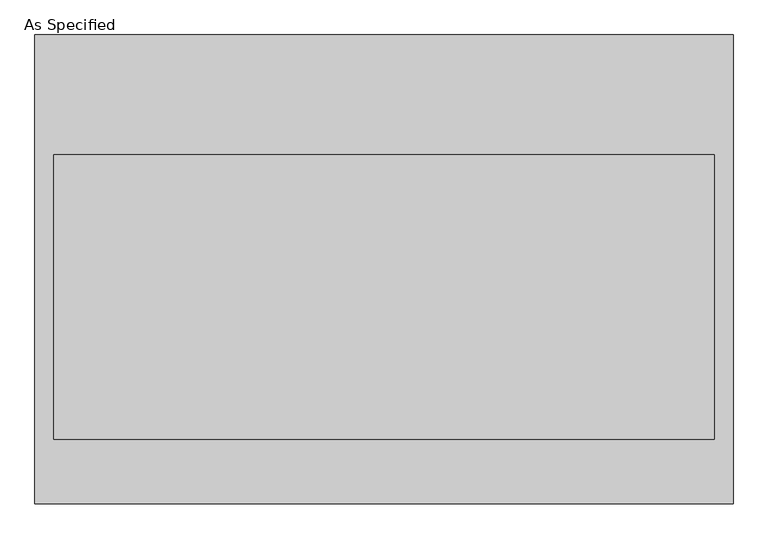
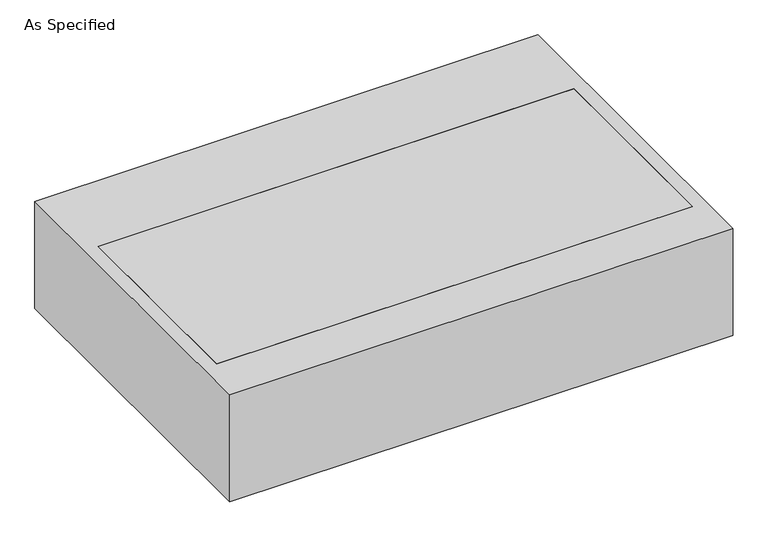
"""IFC4 building model written with IfcOpenShell, lengths in millimetres: proxy geometry, As Specified."""

from ifc_helpers import new_model, si_unit, frame, origin, place, context, project, spatial, polyline, outline, extrude, source, transform, mapped, element, save


def as_specified_7f6feaa9(model_context):
    return source(origin(), model_context, "Body", "SweptSolid", [
        extrude(outline(polyline([(1120.775, 752.475), (1120.775, -752.475), (-1120.775, -752.475), (-1120.775, 752.475), (1120.775, 752.475)]), holes=[polyline([(1060.45, 368.3), (-1060.45, 368.3), (-1060.45, -546.1), (1060.45, -546.1), (1060.45, 368.3)])]), frame((0.0, 0.0, -530.225), z_axis=(0.0, 0.0, 1.0), x_axis=(1.0, 0.0, 0.0)), (0.0, 0.0, 1.0), 504.825),
        extrude(outline(polyline([(1060.45, 368.3), (1060.45, -546.1), (-1060.45, -546.1), (-1060.45, 368.3), (1060.45, 368.3)])), frame((0.0, 0.0, -530.225), z_axis=(0.0, 0.0, 1.0), x_axis=(1.0, 0.0, 0.0)), (0.0, 0.0, 1.0), 504.825),
    ])


if __name__ == "__main__":
    model = new_model("IFC4")
    model_context = context("Model", 3, world=origin())
    ifc_project = project(units=[si_unit("LENGTHUNIT", "METRE", prefix="MILLI")], contexts=[model_context])
    site = spatial("IfcSite", under=ifc_project)
    building = spatial("IfcBuilding", under=site)
    placement = place(None, origin())
    as_specified_shape = as_specified_7f6feaa9(model_context)
    element("IfcBuildingElementProxy", 1, Name="As Specified", ObjectType="As Specified", at=placement, inside=building, context=model_context, shape_type="MappedRepresentation", body=[
        mapped(as_specified_shape, transform((0.0, 0.0, 0.0), x_axis=(1.0, 0.0, 0.0), y_axis=(0.0, 1.0, 0.0), z_axis=(0.0, 0.0, 1.0))),
    ])
    save(model, "model.ifc")
